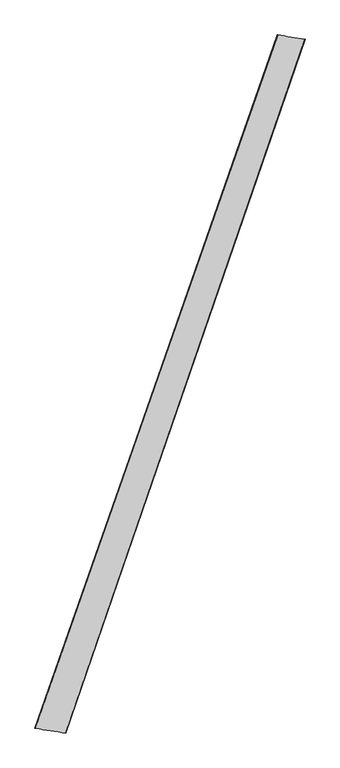
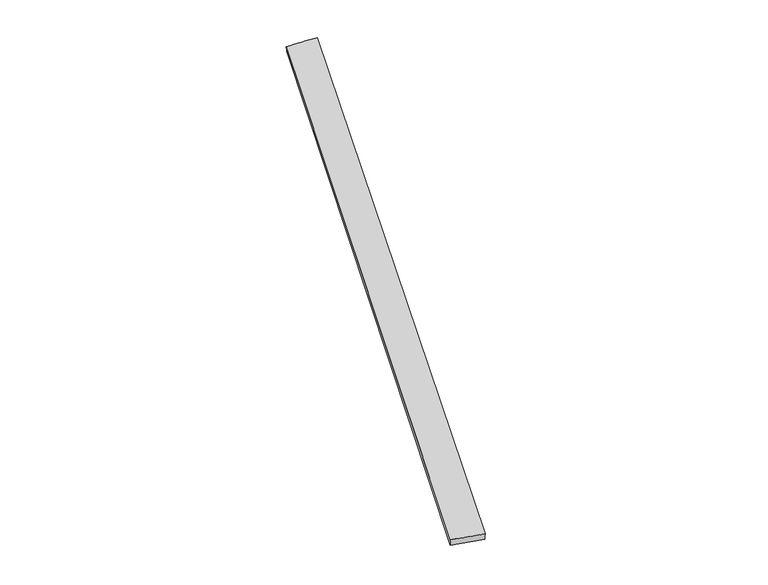
"""IFC4 building model written with IfcOpenShell, lengths in millimetres: proxy geometry."""

from ifc_helpers import new_model, si_unit, origin, place, context, project, spatial, source, transform, mapped, element, save
from ifc_brep_helpers import spline_surface, advanced_brep


def generic_models_0e2df476(model_context):
    return source(origin(), model_context, "Body", "AdvancedBrep", [
        advanced_brep(
        [(-678.3240091, -1718.4208231, 5.5013844), (-676.6299295, -1718.9234754, 35.4492964), (664.9007937, 2124.101237, 23.5911449), (668.2287939, 2122.8438886, -6.1971664), (-506.5812059, -1744.9832298, 24.4148572), (817.4227427, 2100.120173, 36.1654568), (-508.6642847, -1744.1728253, -5.5017607), (818.7595, 2099.7497598, 6.1975427)],
        [
            (0, 1),
            (1, 2),
            (2, 3),
            (3, 0),
            (1, 4),
            (4, 5),
            (5, 2),
            (4, 6),
            (6, 7),
            (7, 5),
            (6, 0),
            (3, 7),
        ],
        [
            spline_surface(1, 1, [[(-678.3240091, -1718.4208231, 5.5013844), (668.2287939, 2122.8438886, -6.1971664)], [(-676.6299295, -1718.9234754, 35.4492964), (664.9007937, 2124.101237, 23.5911449)]], [2, 2], [2, 2], [0.0, 1.0], [0.0, 1.0]),
            spline_surface(1, 1, [[(-676.6299295, -1718.9234754, 35.4492964), (664.9007937, 2124.101237, 23.5911449)], [(-506.5812059, -1744.9832298, 24.4148572), (817.4227427, 2100.120173, 36.1654568)]], [2, 2], [2, 2], [0.0, 1.0], [0.0, 1.0]),
            spline_surface(1, 1, [[(-506.5812059, -1744.9832298, 24.4148572), (817.4227427, 2100.120173, 36.1654568)], [(-508.6642847, -1744.1728253, -5.5017607), (818.7595, 2099.7497598, 6.1975427)]], [2, 2], [2, 2], [0.0, 1.0], [0.0, 1.0]),
            spline_surface(1, 1, [[(-508.6642847, -1744.1728253, -5.5017607), (818.7595, 2099.7497598, 6.1975427)], [(-678.3240091, -1718.4208231, 5.5013844), (668.2287939, 2122.8438886, -6.1971664)]], [2, 2], [2, 2], [0.0, 1.0], [0.0, 1.0]),
            spline_surface(1, 1, [[(664.9007937, 2124.101237, 23.5911449), (668.2287939, 2122.8438886, -6.1971664)], [(817.4227427, 2100.120173, 36.1654568), (818.7595, 2099.7497598, 6.1975427)]], [2, 2], [2, 2], [0.0, 1.0], [0.0, 1.0]),
            spline_surface(1, 1, [[(-508.6642847, -1744.1728253, -5.5017607), (-678.3240091, -1718.4208231, 5.5013844)], [(-506.5812059, -1744.9832298, 24.4148572), (-676.6299295, -1718.9234754, 35.4492964)]], [2, 2], [2, 2], [0.0, 1.0], [0.0, 1.0]),
        ],
        [
            (0, [[1, 2, 3, 4]]),
            (1, [[5, 6, 7, -2]]),
            (2, [[8, 9, 10, -6]]),
            (3, [[11, -4, 12, -9]]),
            (4, [[-3, -7, -10, -12]]),
            (5, [[-11, -8, -5, -1]]),
        ],
    ),
    ])


if __name__ == "__main__":
    model = new_model("IFC4")
    model_context = context("Model", 3, world=origin())
    ifc_project = project(units=[si_unit("LENGTHUNIT", "METRE", prefix="MILLI")], contexts=[model_context])
    site = spatial("IfcSite", under=ifc_project)
    building = spatial("IfcBuilding", under=site)
    placement = place(None, origin())
    generic_models_shape = generic_models_0e2df476(model_context)
    element("IfcBuildingElementProxy", 1, Name="Generic Models", at=placement, inside=building, context=model_context, shape_type="MappedRepresentation", body=[
        mapped(generic_models_shape, transform((0.0, 0.0, 0.0), x_axis=(1.0, 0.0, 0.0), y_axis=(0.0, 1.0, 0.0), z_axis=(0.0, 0.0, 1.0))),
    ])
    save(model, "model.ifc")
